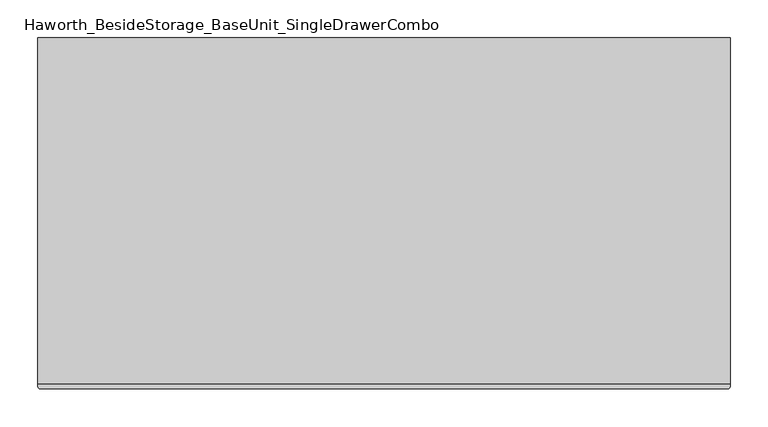
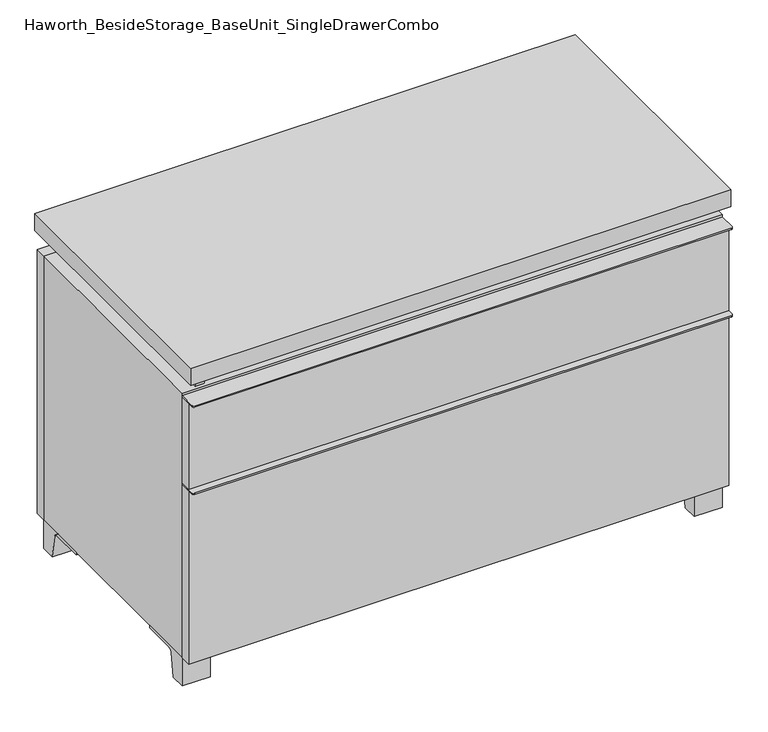
"""IFC4 building model written with IfcOpenShell, lengths in millimetres: furniture geometry, Haworth_BesideStorage_BaseUnit_SingleDrawerCombo."""

from ifc_helpers import new_model, si_unit, point, frame, frame_2d, origin, place, context, project, spatial, polyline, circle_curve, trimmed, segment, composite_curve, outline, extrude, source, transform, mapped, element, save


def haworth_besidestorage_baseunit_singledrawercombo_3de16c1c(model_context):
    return source(origin(), model_context, "Body", "SweptSolid", [
        extrude(outline(composite_curve([segment(polyline([(457.2138906, -139.7), (457.2138906, -168.275)]), True, "CONTINUOUS"), segment(trimmed(circle_curve(frame_2d((454.0388906, -168.275)), 3.175), [point((457.2138906, -168.275))], [point((454.0388906, -171.45))], False, "CARTESIAN"), True, "CONTINUOUS"), segment(polyline([(454.0388906, -171.45), (-454.0111094, -171.45)]), True, "CONTINUOUS"), segment(trimmed(circle_curve(frame_2d((-454.0111094, -168.275)), 3.175), [point((-454.0111094, -171.45))], [point((-457.1861094, -168.275))], False, "CARTESIAN"), True, "CONTINUOUS"), segment(polyline([(-457.1861094, -168.275), (-457.1861094, -139.7), (457.2138906, -139.7)]), True, "CONTINUOUS")], self_intersect=False)), frame((0.0, 0.0, 517.525), z_axis=(0.0, 0.0, 1.0), x_axis=(1.0, 0.0, 0.0)), (0.0, 0.0, 1.0), 2.38125),
        extrude(outline(polyline([(457.2138906, -139.7), (457.2138906, -158.75), (-457.1861094, -158.75), (-457.1861094, -139.7), (457.2138906, -139.7)])), frame((0.0, 0.0, 363.5375), z_axis=(0.0, 0.0, 1.0), x_axis=(1.0, 0.0, 0.0)), (0.0, 0.0, 1.0), 153.9875),
        extrude(outline(composite_curve([segment(polyline([(457.2138906, -139.7), (457.2138906, -168.275)]), True, "CONTINUOUS"), segment(trimmed(circle_curve(frame_2d((454.0388906, -168.275)), 3.175), [point((457.2138906, -168.275))], [point((454.0388906, -171.45))], False, "CARTESIAN"), True, "CONTINUOUS"), segment(polyline([(454.0388906, -171.45), (-454.0111094, -171.45)]), True, "CONTINUOUS"), segment(trimmed(circle_curve(frame_2d((-454.0111094, -168.275)), 3.175), [point((-454.0111094, -171.45))], [point((-457.1861094, -168.275))], False, "CARTESIAN"), True, "CONTINUOUS"), segment(polyline([(-457.1861094, -168.275), (-457.1861094, -139.7), (457.2138906, -139.7)]), True, "CONTINUOUS")], self_intersect=False)), frame((0.0, 0.0, 361.15625), z_axis=(0.0, 0.0, 1.0), x_axis=(1.0, 0.0, 0.0)), (0.0, 0.0, 1.0), 2.38125),
        extrude(outline(polyline([(457.2138906, -139.7), (457.2138906, -158.75), (-457.1861094, -158.75), (-457.1861094, -139.7), (457.2138906, -139.7)])), frame((0.0, 0.0, 50.8), z_axis=(0.0, 0.0, 1.0), x_axis=(1.0, 0.0, 0.0)), (0.0, 0.0, 1.0), 310.35625),
        extrude(outline(polyline([(457.2138906, 292.1), (457.2138906, -165.1), (-457.1861094, -165.1), (-457.1861094, 292.1), (457.2138906, 292.1)])), frame((0.0, 0.0, 554.0375), z_axis=(0.0, 0.0, 1.0), x_axis=(1.0, 0.0, 0.0)), (0.0, 0.0, 1.0), 30.1625),
        extrude(outline(composite_curve([segment(polyline([(-114.3000136, 0.0), (-139.7, 0.0), (-139.7, 50.8), (-44.45, 50.8), (-44.45, 46.0213321), (-101.2505345, 46.0213321)]), True, "CONTINUOUS"), segment(trimmed(circle_curve(frame_2d((-101.2505345, 39.6713321)), 6.35), [point((-101.2505345, 46.0213321))], [point((-107.5141359, 40.7152656))], True, "CARTESIAN"), True, "CONTINUOUS"), segment(polyline([(-107.5141359, 40.7152656), (-114.3000136, 0.0)]), True, "CONTINUOUS")], self_intersect=False)), frame((409.5888906, 0.0, 0.0), z_axis=(1.0, 0.0, 0.0), x_axis=(0.0, 1.0, 0.0)), (0.0, 0.0, 1.0), 47.625),
        extrude(outline(composite_curve([segment(polyline([(241.3000136, 0.0), (234.5141359, 40.7152656)]), True, "CONTINUOUS"), segment(trimmed(circle_curve(frame_2d((228.2505345, 39.6713321)), 6.35), [point((234.5141359, 40.7152656))], [point((228.2505345, 46.0213321))], True, "CARTESIAN"), True, "CONTINUOUS"), segment(polyline([(228.2505345, 46.0213321), (171.45, 46.0213321), (171.45, 50.8), (266.7, 50.8), (266.7, 0.0), (241.3000136, 0.0)]), True, "CONTINUOUS")], self_intersect=False)), frame((409.5888906, 0.0, 0.0), z_axis=(1.0, 0.0, 0.0), x_axis=(0.0, 1.0, 0.0)), (0.0, 0.0, 1.0), 47.625),
        extrude(outline(composite_curve([segment(polyline([(-114.3000136, 0.0), (-139.7, 0.0), (-139.7, 50.8), (-44.45, 50.8), (-44.45, 46.0213321), (-101.2505345, 46.0213321)]), True, "CONTINUOUS"), segment(trimmed(circle_curve(frame_2d((-101.2505345, 39.6713321)), 6.35), [point((-101.2505345, 46.0213321))], [point((-107.5141359, 40.7152656))], True, "CARTESIAN"), True, "CONTINUOUS"), segment(polyline([(-107.5141359, 40.7152656), (-114.3000136, 0.0)]), True, "CONTINUOUS")], self_intersect=False)), frame((-457.1861094, 0.0, 0.0), z_axis=(1.0, 0.0, 0.0), x_axis=(0.0, 1.0, 0.0)), (0.0, 0.0, 1.0), 47.625),
        extrude(outline(composite_curve([segment(polyline([(241.3000136, 0.0), (234.5141359, 40.7152656)]), True, "CONTINUOUS"), segment(trimmed(circle_curve(frame_2d((228.2505345, 39.6713321)), 6.35), [point((234.5141359, 40.7152656))], [point((228.2505345, 46.0213321))], True, "CARTESIAN"), True, "CONTINUOUS"), segment(polyline([(228.2505345, 46.0213321), (171.45, 46.0213321), (171.45, 50.8), (266.7, 50.8), (266.7, 0.0), (241.3000136, 0.0)]), True, "CONTINUOUS")], self_intersect=False)), frame((-457.1861094, 0.0, 0.0), z_axis=(1.0, 0.0, 0.0), x_axis=(0.0, 1.0, 0.0)), (0.0, 0.0, 1.0), 47.625),
        extrude(outline(polyline([(-431.7791641, -133.35), (-431.7791641, 234.95), (-415.9041641, 234.95), (-415.9041641, 73.025), (415.9111094, 73.025), (415.9111094, 247.65), (431.7861094, 247.65), (431.7861094, -120.65), (415.9111094, -120.65), (415.9111094, 53.975), (-415.9041641, 53.975), (-415.9041641, -133.35), (-431.7791641, -133.35)])), frame((0.0, 0.0, 523.875), z_axis=(0.0, 0.0, 1.0), x_axis=(1.0, 0.0, 0.0)), (0.0, 0.0, 1.0), 30.1625),
        extrude(outline(polyline([(457.2138906, 266.7), (-457.1861094, 266.7), (-457.1861094, 285.75), (457.2138906, 285.75), (457.2138906, 266.7)])), frame((0.0, 0.0, 50.8), z_axis=(0.0, 0.0, 1.0), x_axis=(1.0, 0.0, 0.0)), (0.0, 0.0, 1.0), 473.075),
        extrude(outline(polyline([(50.8, -457.1861094), (50.8, 457.2), (523.875, 457.2), (523.875, -457.1861094), (50.8, -457.1861094)]), holes=[polyline([(69.85, -438.1361094), (504.825, -438.1361094), (504.825, 438.1361094), (69.85, 438.1361094), (69.85, -438.1361094)])]), frame((0.0, -139.7, 0.0), z_axis=(0.0, 1.0, 0.0), x_axis=(0.0, 0.0, 1.0)), (0.0, 0.0, 1.0), 406.4),
        extrude(outline(polyline([(-438.1291641, 234.95), (-438.1291641, 241.3), (438.1569453, 241.3), (438.1569453, 234.95), (-438.1291641, 234.95)])), frame((0.0, 0.0, 69.85), z_axis=(0.0, 0.0, 1.0), x_axis=(1.0, 0.0, 0.0)), (0.0, 0.0, 1.0), 434.975),
    ])


if __name__ == "__main__":
    model = new_model("IFC4")
    model_context = context("Model", 3, world=origin())
    ifc_project = project(units=[si_unit("LENGTHUNIT", "METRE", prefix="MILLI")], contexts=[model_context])
    site = spatial("IfcSite", under=ifc_project)
    building = spatial("IfcBuilding", under=site)
    placement = place(None, origin())
    haworth_besidestorage_baseunit_singledrawercombo_shape = haworth_besidestorage_baseunit_singledrawercombo_3de16c1c(model_context)
    element("IfcFurniture", 1, ObjectType="Haworth_BesideStorage_BaseUnit_SingleDrawerCombo", at=placement, inside=building, context=model_context, shape_type="MappedRepresentation", body=[
        mapped(haworth_besidestorage_baseunit_singledrawercombo_shape, transform((0.0, 0.0, 0.0), x_axis=(1.0, 0.0, 0.0), y_axis=(0.0, 1.0, 0.0), z_axis=(0.0, 0.0, 1.0))),
    ])
    save(model, "model.ifc")
